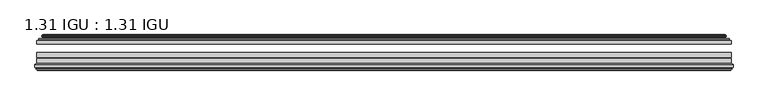
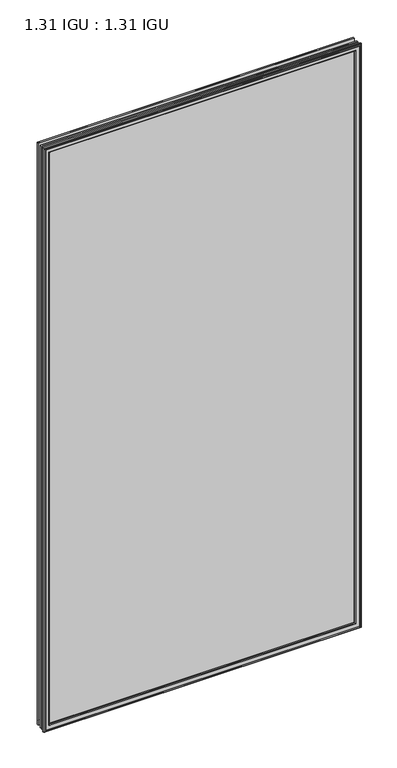
"""IFC4 building model written with IfcOpenShell, lengths in millimetres: plate geometry, 1.31 IGU : 1.31 IGU."""

from ifc_helpers import new_model, si_unit, frame, origin, place, context, project, spatial, polyline, ellipse_curve, outline, extrude, source, transform, mapped, element, save
from ifc_brep_helpers import plane_surface, cylinder_surface, revolved_surface, advanced_brep


def plate_1_31_igu_1_31_igu_3e8fca34(model_context):
    return source(origin(), model_context, "Body", "SolidModel", [
        extrude(outline(polyline([(515.9319169, -44.8960875), (515.9319169, -50.4332875), (-515.9368519, -50.4332875), (-515.9368519, -44.8960875), (515.9319169, -44.8960875)])), frame((0.0, 0.0, -14.2875), z_axis=(0.0, 0.0, 1.0), x_axis=(1.0, 0.0, 0.0)), (0.0, 0.0, 1.0), 2009.67848),
        extrude(outline(polyline([(-515.9368519, -78.7796875), (-515.9368519, -71.7692875), (515.9319169, -71.7692875), (515.9319169, -78.7796875), (-515.9368519, -78.7796875)])), frame((0.0, 0.0, -14.2875), z_axis=(0.0, 0.0, 1.0), x_axis=(1.0, 0.0, 0.0)), (0.0, 0.0, 1.0), 2009.67848),
        extrude(outline(polyline([(-515.9368519, -70.2452875), (-515.9368519, -63.1332875), (515.9319169, -63.1332875), (515.9319169, -70.2452875), (-515.9368519, -70.2452875)])), frame((0.0, 0.0, -14.2875), z_axis=(0.0, 0.0, 1.0), x_axis=(1.0, 0.0, 0.0)), (0.0, 0.0, 1.0), 2009.67848),
        advanced_brep(
        [(-506.5915274, -37.7373382, 1986.0456555), (-501.6498945, -36.3108875, 1981.1040226), (-501.6498945, -36.3108875, -0.0005426), (-506.5915274, -37.7373382, -4.9421755), (-506.4264221, -36.9605789, 1985.8805502), (-506.4264221, -36.9605789, -4.7770702), (-507.0219078, -36.4771203, 1986.4760359), (-507.0219078, -36.4771203, -5.3725559), (-508.2865436, -37.766076, 1987.7406717), (-508.2865436, -37.766076, -6.6371917), (-508.2757268, -38.8797852, 1987.7298549), (-508.2757268, -38.8797852, -6.6263749), (-506.9942416, -40.1361433, 1986.4483697), (-506.9942416, -40.1361433, -5.3448897), (-506.3892348, -39.649943, 1985.8433629), (-506.3892348, -39.649943, -4.7398829), (-506.9432491, -39.0959287, 1986.3973772), (-506.9432491, -39.0959287, -5.2938972), (-504.6574407, -38.7029881, 1984.1115687), (-504.6574407, -38.7029881, -3.0080887), (-503.1983676, -40.2107282, 1982.6524957), (-503.1983676, -40.2107282, -1.5490157), (-503.4949495, -41.651269, 1982.9490776), (-503.4949495, -41.651269, -1.8455976), (-504.266174, -42.2798875, 1983.7203021), (-504.266174, -42.2798875, -2.6168221), (-512.5701503, -43.4871542, 1992.0242784), (-512.2949489, -42.2798875, 1991.7490769), (-512.2949489, -42.2798875, -10.6455969), (-512.5701503, -43.4871542, -10.9207984), (-509.1125817, -44.8960875, 1988.5667097), (-509.1125817, -44.8960875, -7.4632297), (-498.0149579, -44.023302, 1977.4690859), (-498.3702958, -44.8960875, 1977.8244239), (-498.3702958, -44.8960875, 3.2790561), (-498.0149579, -44.023302, 3.6343941), (-498.6861559, -43.3681812, 1978.140284), (-498.6861559, -43.3681812, 2.963196), (-500.3269465, -40.6686056, 1979.7810746), (-500.3269465, -40.6686056, 1.3224054), (501.6498945, -36.3108875, -0.0005426), (506.5915274, -37.7373382, -4.9421755), (506.4264221, -36.9605789, -4.7770702), (507.0219078, -36.4771203, -5.3725559), (508.2865436, -37.766076, -6.6371917), (508.2757268, -38.8797852, -6.6263749), (506.9942416, -40.1361433, -5.3448897), (506.3892348, -39.649943, -4.7398829), (506.9432491, -39.0959287, -5.2938972), (504.6574407, -38.7029881, -3.0080887), (503.1983676, -40.2107282, -1.5490157), (503.4949495, -41.651269, -1.8455976), (504.266174, -42.2798875, -2.6168221), (512.2949489, -42.2798875, -10.6455969), (512.5701503, -43.4871542, -10.9207984), (509.1125817, -44.8960875, -7.4632297), (498.3702958, -44.8960875, 3.2790561), (498.0149579, -44.023302, 3.6343941), (498.6861559, -43.3681812, 2.963196), (500.3269465, -40.6686056, 1.3224054), (501.6498945, -36.3108875, 1981.1040226), (506.5915274, -37.7373382, 1986.0456555), (506.4264221, -36.9605789, 1985.8805502), (507.0219078, -36.4771203, 1986.4760359), (508.2865436, -37.766076, 1987.7406717), (508.2757268, -38.8797852, 1987.7298549), (506.9942416, -40.1361433, 1986.4483697), (506.3892348, -39.649943, 1985.8433629), (506.9432491, -39.0959287, 1986.3973772), (504.6574407, -38.7029881, 1984.1115687), (503.1983676, -40.2107282, 1982.6524957), (503.4949495, -41.651269, 1982.9490776), (504.266174, -42.2798875, 1983.7203021), (512.2949489, -42.2798875, 1991.7490769), (512.5701503, -43.4871542, 1992.0242784), (509.1125817, -44.8960875, 1988.5667097), (498.3702958, -44.8960875, 1977.8244239), (498.0149579, -44.023302, 1977.4690859), (498.6861559, -43.3681812, 1978.140284), (500.3269465, -40.6686056, 1979.7810746)],
        [
            (0, 1),
            (1, 2),
            (2, 3),
            (3, 0),
            (4, 0),
            (3, 5),
            (5, 4),
            (6, 4, ellipse_curve(frame((-506.7469391, -36.746901, 1986.2010671), z_axis=(-0.7071067811865475, 0.0, -0.7071067811865475), x_axis=(-0.7071067811865474, 0.0, 0.7071067811865476)), 0.5447741, 0.3852135)),
            (5, 7, ellipse_curve(frame((-506.7469391, -36.746901, -5.0975871), z_axis=(-0.7071067811865475, 0.0, 0.7071067811865475), x_axis=(0.7071067811865474, 0.0, 0.7071067811865476)), 0.5447741, 0.3852135)),
            (7, 6),
            (8, 6),
            (7, 9),
            (9, 8),
            (10, 8, ellipse_curve(frame((-507.7244906, -38.3175243, 1987.1786187), z_axis=(-0.7071067811865475, 0.0, -0.7071067811865475), x_axis=(-0.7071067811865474, 0.0, 0.7071067811865476)), 1.1135518, 0.7874)),
            (9, 11, ellipse_curve(frame((-507.7244906, -38.3175243, -6.0751387), z_axis=(-0.7071067811865475, 0.0, 0.7071067811865475), x_axis=(0.7071067811865474, 0.0, 0.7071067811865476)), 1.1135518, 0.7874)),
            (11, 10),
            (12, 10),
            (11, 13),
            (13, 12),
            (14, 12, ellipse_curve(frame((-506.7206442, -39.8570738, 1986.1747722), z_axis=(-0.7071067811865475, 0.0, -0.7071067811865475), x_axis=(-0.7071067811865474, 0.0, 0.7071067811865476)), 0.552694, 0.3908137)),
            (13, 15, ellipse_curve(frame((-506.7206442, -39.8570738, -5.0712922), z_axis=(-0.7071067811865475, 0.0, 0.7071067811865475), x_axis=(0.7071067811865474, 0.0, 0.7071067811865476)), 0.552694, 0.3908137)),
            (15, 14),
            (16, 14),
            (15, 17),
            (17, 16),
            (18, 16),
            (17, 19),
            (19, 18),
            (20, 18, ellipse_curve(frame((-504.442278, -39.954629, 1983.8964061), z_axis=(0.7071067811865475, 0.0, 0.7071067811865475), x_axis=(0.7071067811865474, 0.0, -0.7071067811865476)), 1.7960512, 1.27)),
            (19, 21, ellipse_curve(frame((-504.442278, -39.954629, -2.7929261), z_axis=(0.7071067811865475, 0.0, -0.7071067811865475), x_axis=(-0.7071067811865474, 0.0, -0.7071067811865476)), 1.7960512, 1.27)),
            (21, 20),
            (22, 20),
            (21, 23),
            (23, 22),
            (24, 22, ellipse_curve(frame((-504.266174, -41.4924875, 1983.7203021), z_axis=(0.7071067811865475, 0.0, 0.7071067811865475), x_axis=(0.7071067811865474, 0.0, -0.7071067811865476)), 1.1135518, 0.7874)),
            (23, 25, ellipse_curve(frame((-504.266174, -41.4924875, -2.6168221), z_axis=(0.7071067811865475, 0.0, -0.7071067811865475), x_axis=(-0.7071067811865474, 0.0, -0.7071067811865476)), 1.1135518, 0.7874)),
            (25, 24),
            (26, 27, ellipse_curve(frame((-512.2949489, -42.9148875, 1991.7490769), z_axis=(-0.7071067811865475, 0.0, -0.7071067811865475), x_axis=(-0.7071067811865474, 0.0, 0.7071067811865476)), 0.8980256, 0.635)),
            (27, 28),
            (28, 29, ellipse_curve(frame((-512.2949489, -42.9148875, -10.6455969), z_axis=(-0.7071067811865475, 0.0, 0.7071067811865475), x_axis=(0.7071067811865474, 0.0, 0.7071067811865476)), 0.8980256, 0.635)),
            (29, 26),
            (30, 26),
            (29, 31),
            (31, 30),
            (32, 33, ellipse_curve(frame((-498.3702958, -44.3873602, 1977.8244239), z_axis=(-0.7071067811865475, 0.0, -0.7071067811865475), x_axis=(-0.7071067811865474, 0.0, 0.7071067811865476)), 0.719449, 0.5087273)),
            (33, 34),
            (34, 35, ellipse_curve(frame((-498.3702958, -44.3873602, 3.2790561), z_axis=(-0.7071067811865475, 0.0, 0.7071067811865475), x_axis=(0.7071067811865474, 0.0, 0.7071067811865476)), 0.719449, 0.5087273)),
            (35, 32),
            (36, 32),
            (35, 37),
            (37, 36),
            (38, 36, ellipse_curve(frame((-494.2507817, -38.823959, 1973.7049098), z_axis=(0.7071067811865475, 0.0, 0.7071067811865475), x_axis=(0.7071067811865474, 0.0, -0.7071067811865476)), 8.9802561, 6.35)),
            (37, 39, ellipse_curve(frame((-494.2507817, -38.823959, 7.3985702), z_axis=(0.7071067811865475, 0.0, -0.7071067811865475), x_axis=(-0.7071067811865474, 0.0, -0.7071067811865476)), 8.9802561, 6.35)),
            (39, 38),
            (1, 38),
            (39, 2),
            (2, 40),
            (40, 41),
            (41, 3),
            (41, 42),
            (42, 5),
            (42, 43, ellipse_curve(frame((506.7469391, -36.746901, -5.0975871), z_axis=(-0.7071067811865475, 0.0, -0.7071067811865475), x_axis=(-0.7071067811865476, 0.0, 0.7071067811865474)), 0.5447741, 0.3852135)),
            (43, 7),
            (43, 44),
            (44, 9),
            (44, 45, ellipse_curve(frame((507.7244906, -38.3175243, -6.0751387), z_axis=(-0.7071067811865475, 0.0, -0.7071067811865475), x_axis=(-0.7071067811865476, 0.0, 0.7071067811865474)), 1.1135518, 0.7874)),
            (45, 11),
            (45, 46),
            (46, 13),
            (46, 47, ellipse_curve(frame((506.7206442, -39.8570738, -5.0712922), z_axis=(-0.7071067811865475, 0.0, -0.7071067811865475), x_axis=(-0.7071067811865476, 0.0, 0.7071067811865474)), 0.552694, 0.3908137)),
            (47, 15),
            (47, 48),
            (48, 17),
            (48, 49),
            (49, 19),
            (49, 50, ellipse_curve(frame((504.442278, -39.954629, -2.7929261), z_axis=(0.7071067811865475, 0.0, 0.7071067811865475), x_axis=(0.7071067811865476, 0.0, -0.7071067811865474)), 1.7960512, 1.27)),
            (50, 21),
            (50, 51),
            (51, 23),
            (51, 52, ellipse_curve(frame((504.266174, -41.4924875, -2.6168221), z_axis=(0.7071067811865475, 0.0, 0.7071067811865475), x_axis=(0.7071067811865476, 0.0, -0.7071067811865474)), 1.1135518, 0.7874)),
            (52, 25),
            (28, 53),
            (53, 54, ellipse_curve(frame((512.2949489, -42.9148875, -10.6455969), z_axis=(-0.7071067811865475, 0.0, -0.7071067811865475), x_axis=(-0.7071067811865476, 0.0, 0.7071067811865474)), 0.8980256, 0.635)),
            (54, 29),
            (54, 55),
            (55, 31),
            (34, 56),
            (56, 57, ellipse_curve(frame((498.3702958, -44.3873602, 3.2790561), z_axis=(-0.7071067811865475, 0.0, -0.7071067811865475), x_axis=(-0.7071067811865476, 0.0, 0.7071067811865474)), 0.719449, 0.5087273)),
            (57, 35),
            (57, 58),
            (58, 37),
            (58, 59, ellipse_curve(frame((494.2507817, -38.823959, 7.3985702), z_axis=(0.7071067811865475, 0.0, 0.7071067811865475), x_axis=(0.7071067811865476, 0.0, -0.7071067811865474)), 8.9802561, 6.35)),
            (59, 39),
            (59, 40),
            (40, 60),
            (60, 61),
            (61, 41),
            (61, 62),
            (62, 42),
            (62, 63, ellipse_curve(frame((506.7469391, -36.746901, 1986.2010671), z_axis=(0.7071067811865475, 0.0, -0.7071067811865475), x_axis=(-0.7071067811865474, 0.0, -0.7071067811865476)), 0.5447741, 0.3852135)),
            (63, 43),
            (63, 64),
            (64, 44),
            (64, 65, ellipse_curve(frame((507.7244906, -38.3175243, 1987.1786187), z_axis=(0.7071067811865475, 0.0, -0.7071067811865475), x_axis=(-0.7071067811865474, 0.0, -0.7071067811865476)), 1.1135518, 0.7874)),
            (65, 45),
            (65, 66),
            (66, 46),
            (66, 67, ellipse_curve(frame((506.7206442, -39.8570738, 1986.1747722), z_axis=(0.7071067811865475, 0.0, -0.7071067811865475), x_axis=(-0.7071067811865474, 0.0, -0.7071067811865476)), 0.552694, 0.3908137)),
            (67, 47),
            (67, 68),
            (68, 48),
            (68, 69),
            (69, 49),
            (69, 70, ellipse_curve(frame((504.442278, -39.954629, 1983.8964061), z_axis=(-0.7071067811865475, 0.0, 0.7071067811865475), x_axis=(0.7071067811865474, 0.0, 0.7071067811865476)), 1.7960512, 1.27)),
            (70, 50),
            (70, 71),
            (71, 51),
            (71, 72, ellipse_curve(frame((504.266174, -41.4924875, 1983.7203021), z_axis=(-0.7071067811865475, 0.0, 0.7071067811865475), x_axis=(0.7071067811865474, 0.0, 0.7071067811865476)), 1.1135518, 0.7874)),
            (72, 52),
            (53, 73),
            (73, 74, ellipse_curve(frame((512.2949489, -42.9148875, 1991.7490769), z_axis=(0.7071067811865475, 0.0, -0.7071067811865475), x_axis=(-0.7071067811865474, 0.0, -0.7071067811865476)), 0.8980256, 0.635)),
            (74, 54),
            (74, 75),
            (75, 55),
            (56, 76),
            (76, 77, ellipse_curve(frame((498.3702958, -44.3873602, 1977.8244239), z_axis=(0.7071067811865475, 0.0, -0.7071067811865475), x_axis=(-0.7071067811865474, 0.0, -0.7071067811865476)), 0.719449, 0.5087273)),
            (77, 57),
            (77, 78),
            (78, 58),
            (78, 79, ellipse_curve(frame((494.2507817, -38.823959, 1973.7049098), z_axis=(-0.7071067811865475, 0.0, 0.7071067811865475), x_axis=(0.7071067811865474, 0.0, 0.7071067811865476)), 8.9802561, 6.35)),
            (79, 59),
            (79, 60),
            (60, 1),
            (0, 61),
            (4, 62),
            (6, 63),
            (8, 64),
            (10, 65),
            (12, 66),
            (14, 67),
            (16, 68),
            (18, 69),
            (20, 70),
            (22, 71),
            (24, 72),
            (27, 73),
            (26, 74),
            (30, 75),
            (33, 76),
            (32, 77),
            (36, 78),
            (38, 79),
        ],
        [
            plane_surface(frame((-501.6498945, -36.3108875, 1981.1040226), z_axis=(-0.2773364928492854, 0.9607728502273877, 0.0), x_axis=(0.0, 0.0, -1.0))),
            plane_surface(frame((-506.5915274, -37.7373382, 1986.0456555), z_axis=(0.9781476007338358, -0.2079116908176177, 0.0), x_axis=(0.0, 0.0, -1.0))),
            cylinder_surface(frame((-506.7469391, -36.746901, 2012.85348), z_axis=(0.0, 0.0, 1.0), x_axis=(-1.0, 0.0, 0.0)), 0.3852135),
            plane_surface(frame((-507.0219078, -36.4771203, 1986.4760359), z_axis=(-0.7138087599382162, 0.7003406701280928, 0.0), x_axis=(0.0, 0.0, -1.0))),
            cylinder_surface(frame((-507.7244906, -38.3175243, 2012.85348), z_axis=(0.0, 0.0, 1.0), x_axis=(-1.0, 0.0, 0.0)), 0.7874),
            plane_surface(frame((-508.2757268, -38.8797852, 1987.7298549), z_axis=(-0.7000714109283732, -0.7140728391423082, 0.0), x_axis=(0.0, 0.0, -1.0))),
            cylinder_surface(frame((-506.7206442, -39.8570738, 2012.85348), z_axis=(0.0, 0.0, 1.0), x_axis=(-1.0, 0.0, 0.0)), 0.3908137),
            plane_surface(frame((-506.3892348, -39.649943, 1985.8433629), z_axis=(0.7071067811861126, 0.7071067811869826, 0.0), x_axis=(0.0, 0.0, -1.0))),
            plane_surface(frame((-506.9432491, -39.0959287, 1986.3973772), z_axis=(0.16941940671011482, -0.9855440449974789, 0.0), x_axis=(0.0, 0.0, -1.0))),
            revolved_surface(polyline([(-505.71227799999997, -39.954629, -4.062926082878221), (-505.71227799999997, -39.954629, 1985.1664060828782)]), (-504.442278, -39.954629, 2012.85348), (0.0, 0.0, -1.0)),
            plane_surface(frame((-503.1983676, -40.2107282, 1982.6524957), z_axis=(-0.9794570432566897, 0.201652920670302, 0.0), x_axis=(0.0, 0.0, -1.0))),
            revolved_surface(polyline([(-505.05357399999997, -41.4924875, -3.4042221289826102), (-505.05357399999997, -41.4924875, 1984.5077021289826)]), (-504.266174, -41.4924875, 2012.85348), (0.0, 0.0, -1.0)),
            cylinder_surface(frame((-512.2949489, -42.9148875, 2012.85348), z_axis=(0.0, 0.0, 1.0), x_axis=(-1.0, 0.0, 0.0)), 0.635),
            plane_surface(frame((-512.5701503, -43.4871542, 1992.0242784), z_axis=(-0.37736447542757934, -0.9260648209954139, 0.0), x_axis=(0.0, 0.0, -1.0))),
            cylinder_surface(frame((-498.3702958, -44.3873602, 2012.85348), z_axis=(0.0, 0.0, 1.0), x_axis=(-1.0, 0.0, 0.0)), 0.5087273),
            plane_surface(frame((-498.0149579, -44.023302, 1977.4690859), z_axis=(0.698484125849927, 0.7156255486884628, 0.0), x_axis=(0.0, 0.0, -1.0))),
            revolved_surface(polyline([(-500.6007817, -38.823959, 1.0485702148980636), (-500.6007817, -38.823959, 1980.054909785102)]), (-494.2507817, -38.823959, 2012.85348), (0.0, 0.0, -1.0)),
            plane_surface(frame((-500.3269465, -40.6686056, 1979.7810746), z_axis=(0.9568763473517009, 0.2904955350411895, 0.0), x_axis=(0.0, 0.0, -1.0))),
            plane_surface(frame((-501.6498945, -36.3108875, -0.0005426), z_axis=(0.0, 0.9607728502273868, -0.2773364928492885), x_axis=(1.0, 0.0, 0.0))),
            plane_surface(frame((-506.5915274, -37.7373382, -4.9421755), z_axis=(0.0, -0.20791169081761454, 0.9781476007338364), x_axis=(1.0, 0.0, 0.0))),
            cylinder_surface(frame((-533.3993519, -36.746901, -5.0975871), z_axis=(-1.0, 0.0, 0.0), x_axis=(0.0, 0.0, -1.0)), 0.3852135),
            plane_surface(frame((-507.0219078, -36.4771203, -5.3725559), z_axis=(0.0, 0.7003406701280904, -0.7138087599382185), x_axis=(1.0, 0.0, 0.0))),
            cylinder_surface(frame((-533.3993519, -38.3175243, -6.0751387), z_axis=(-1.0, 0.0, 0.0), x_axis=(0.0, 0.0, -1.0)), 0.7874),
            plane_surface(frame((-508.2757268, -38.8797852, -6.6263749), z_axis=(0.0, -0.7140728391423105, -0.7000714109283709), x_axis=(1.0, 0.0, 0.0))),
            cylinder_surface(frame((-533.3993519, -39.8570738, -5.0712922), z_axis=(-1.0, 0.0, 0.0), x_axis=(0.0, 0.0, -1.0)), 0.3908137),
            plane_surface(frame((-506.3892348, -39.649943, -4.7398829), z_axis=(0.0, 0.7071067811869849, 0.7071067811861103), x_axis=(1.0, 0.0, 0.0))),
            plane_surface(frame((-506.9432491, -39.0959287, -5.2938972), z_axis=(0.0, -0.9855440449974784, 0.16941940671011801), x_axis=(1.0, 0.0, 0.0))),
            revolved_surface(polyline([(505.7122779828783, -39.954629, -4.0629261), (-505.7122779828782, -39.954629, -4.0629261)]), (-533.3993519, -39.954629, -2.7929261), (1.0, 0.0, 0.0)),
            plane_surface(frame((-503.1983676, -40.2107282, -1.5490157), z_axis=(0.0, 0.20165292067029883, -0.9794570432566904), x_axis=(1.0, 0.0, 0.0))),
            revolved_surface(polyline([(505.05357402898244, -41.4924875, -3.4042220999999997), (-505.05357402898244, -41.4924875, -3.4042220999999997)]), (-533.3993519, -41.4924875, -2.6168221), (1.0, 0.0, 0.0)),
            cylinder_surface(frame((-533.3993519, -42.9148875, -10.6455969), z_axis=(-1.0, 0.0, 0.0), x_axis=(0.0, 0.0, -1.0)), 0.635),
            plane_surface(frame((-512.5701503, -43.4871542, -10.9207984), z_axis=(0.0, -0.9260648209954151, -0.37736447542757634), x_axis=(1.0, 0.0, 0.0))),
            cylinder_surface(frame((-533.3993519, -44.3873602, 3.2790561), z_axis=(-1.0, 0.0, 0.0), x_axis=(0.0, 0.0, -1.0)), 0.5087273),
            plane_surface(frame((-498.0149579, -44.023302, 3.6343941), z_axis=(0.0, 0.7156255486884651, 0.6984841258499247), x_axis=(1.0, 0.0, 0.0))),
            revolved_surface(polyline([(500.600781685102, -38.823959, 1.0485702000000003), (-500.6007816851019, -38.823959, 1.0485702000000003)]), (-533.3993519, -38.823959, 7.3985702), (1.0, 0.0, 0.0)),
            plane_surface(frame((-500.3269465, -40.6686056, 1.3224054), z_axis=(0.0, 0.29049553504119263, 0.9568763473517), x_axis=(1.0, 0.0, 0.0))),
            plane_surface(frame((501.6498945, -36.3108875, -0.0005426), z_axis=(0.2773364928492916, 0.9607728502273859, 0.0), x_axis=(0.0, 0.0, 1.0))),
            plane_surface(frame((506.5915274, -37.7373382, -4.9421755), z_axis=(-0.9781476007338371, -0.20791169081761138, 0.0), x_axis=(0.0, 0.0, 1.0))),
            cylinder_surface(frame((506.7469391, -36.746901, -31.75), z_axis=(0.0, 0.0, -1.0), x_axis=(1.0, 0.0, 0.0)), 0.3852135),
            plane_surface(frame((507.0219078, -36.4771203, -5.3725559), z_axis=(0.7138087599382208, 0.7003406701280882, 0.0), x_axis=(0.0, 0.0, 1.0))),
            cylinder_surface(frame((507.7244906, -38.3175243, -31.75), z_axis=(0.0, 0.0, -1.0), x_axis=(1.0, 0.0, 0.0)), 0.7874),
            plane_surface(frame((508.2757268, -38.8797852, -6.6263749), z_axis=(0.7000714109283687, -0.7140728391423128, 0.0), x_axis=(0.0, 0.0, 1.0))),
            cylinder_surface(frame((506.7206442, -39.8570738, -31.75), z_axis=(0.0, 0.0, -1.0), x_axis=(1.0, 0.0, 0.0)), 0.3908137),
            plane_surface(frame((506.3892348, -39.649943, -4.7398829), z_axis=(-0.7071067811861079, 0.7071067811869872, 0.0), x_axis=(0.0, 0.0, 1.0))),
            plane_surface(frame((506.9432491, -39.0959287, -5.2938972), z_axis=(-0.1694194067101212, -0.9855440449974778, 0.0), x_axis=(0.0, 0.0, 1.0))),
            revolved_surface(polyline([(505.71227799999997, -39.954629, 1985.1664060828782), (505.71227799999997, -39.954629, -4.062926082878235)]), (504.442278, -39.954629, -31.75), (0.0, 0.0, 1.0)),
            plane_surface(frame((503.1983676, -40.2107282, -1.5490157), z_axis=(0.979457043256691, 0.20165292067029567, 0.0), x_axis=(0.0, 0.0, 1.0))),
            revolved_surface(polyline([(505.05357399999997, -41.4924875, 1984.5077021289826), (505.05357399999997, -41.4924875, -3.404222128982486)]), (504.266174, -41.4924875, -31.75), (0.0, 0.0, 1.0)),
            cylinder_surface(frame((512.2949489, -42.9148875, -31.75), z_axis=(0.0, 0.0, -1.0), x_axis=(1.0, 0.0, 0.0)), 0.635),
            plane_surface(frame((512.5701503, -43.4871542, -10.9207984), z_axis=(0.37736447542757334, -0.9260648209954163, 0.0), x_axis=(0.0, 0.0, 1.0))),
            cylinder_surface(frame((498.3702958, -44.3873602, -31.75), z_axis=(0.0, 0.0, -1.0), x_axis=(1.0, 0.0, 0.0)), 0.5087273),
            plane_surface(frame((498.0149579, -44.023302, 3.6343941), z_axis=(-0.6984841258499224, 0.7156255486884673, 0.0), x_axis=(0.0, 0.0, 1.0))),
            revolved_surface(polyline([(500.6007817, -38.823959, 1980.054909785102), (500.6007817, -38.823959, 1.0485702148981417)]), (494.2507817, -38.823959, -31.75), (0.0, 0.0, 1.0)),
            plane_surface(frame((500.3269465, -40.6686056, 1.3224054), z_axis=(-0.9568763473516991, 0.29049553504119574, 0.0), x_axis=(0.0, 0.0, 1.0))),
            plane_surface(frame((501.6498945, -36.3108875, 1981.1040226), z_axis=(0.0, 0.9607728502273868, 0.2773364928492885), x_axis=(-1.0, 0.0, 0.0))),
            plane_surface(frame((506.5915274, -37.7373382, 1986.0456555), z_axis=(0.0, -0.20791169081761454, -0.9781476007338364), x_axis=(-1.0, 0.0, 0.0))),
            cylinder_surface(frame((533.3993519, -36.746901, 1986.2010671), z_axis=(1.0, 0.0, 0.0), x_axis=(0.0, 0.0, 1.0)), 0.3852135),
            plane_surface(frame((507.0219078, -36.4771203, 1986.4760359), z_axis=(0.0, 0.7003406701280904, 0.7138087599382185), x_axis=(-1.0, 0.0, 0.0))),
            cylinder_surface(frame((533.3993519, -38.3175243, 1987.1786187), z_axis=(1.0, 0.0, 0.0), x_axis=(0.0, 0.0, 1.0)), 0.7874),
            plane_surface(frame((508.2757268, -38.8797852, 1987.7298549), z_axis=(0.0, -0.7140728391423106, 0.700071410928371), x_axis=(-1.0, 0.0, 0.0))),
            cylinder_surface(frame((533.3993519, -39.8570738, 1986.1747722), z_axis=(1.0, 0.0, 0.0), x_axis=(0.0, 0.0, 1.0)), 0.3908137),
            plane_surface(frame((506.3892348, -39.649943, 1985.8433629), z_axis=(0.0, 0.7071067811869849, -0.7071067811861103), x_axis=(-1.0, 0.0, 0.0))),
            plane_surface(frame((506.9432491, -39.0959287, 1986.3973772), z_axis=(0.0, -0.9855440449974784, -0.16941940671011801), x_axis=(-1.0, 0.0, 0.0))),
            revolved_surface(polyline([(-505.7122779828783, -39.954629, 1985.1664061), (505.7122779828782, -39.954629, 1985.1664061)]), (533.3993519, -39.954629, 1983.8964061), (-1.0, 0.0, 0.0)),
            plane_surface(frame((503.1983676, -40.2107282, 1982.6524957), z_axis=(0.0, 0.20165292067029883, 0.9794570432566904), x_axis=(-1.0, 0.0, 0.0))),
            revolved_surface(polyline([(-505.05357402898244, -41.4924875, 1984.5077021), (505.05357402898244, -41.4924875, 1984.5077021)]), (533.3993519, -41.4924875, 1983.7203021), (-1.0, 0.0, 0.0)),
            plane_surface(frame((504.266174, -42.2798875, 1983.7203021), z_axis=(0.0, 1.0, 0.0), x_axis=(-1.0, 0.0, 0.0))),
            cylinder_surface(frame((533.3993519, -42.9148875, 1991.7490769), z_axis=(1.0, 0.0, 0.0), x_axis=(0.0, 0.0, 1.0)), 0.635),
            plane_surface(frame((512.5701503, -43.4871542, 1992.0242784), z_axis=(0.0, -0.9260648209954151, 0.37736447542757634), x_axis=(-1.0, 0.0, 0.0))),
            plane_surface(frame((509.1125817, -44.8960875, 1988.5667097), z_axis=(0.0, -1.0, 0.0), x_axis=(-1.0, 0.0, 0.0))),
            cylinder_surface(frame((533.3993519, -44.3873602, 1977.8244239), z_axis=(1.0, 0.0, 0.0), x_axis=(0.0, 0.0, 1.0)), 0.5087273),
            plane_surface(frame((498.0149579, -44.023302, 1977.4690859), z_axis=(0.0, 0.7156255486884651, -0.6984841258499247), x_axis=(-1.0, 0.0, 0.0))),
            revolved_surface(polyline([(-500.600781685102, -38.823959, 1980.0549098), (500.6007816851019, -38.823959, 1980.0549098)]), (533.3993519, -38.823959, 1973.7049098), (-1.0, 0.0, 0.0)),
            plane_surface(frame((500.3269465, -40.6686056, 1979.7810746), z_axis=(0.0, 0.29049553504119263, -0.9568763473517), x_axis=(-1.0, 0.0, 0.0))),
        ],
        [
            (0, [[1, 2, 3, 4]]),
            (1, [[5, -4, 6, 7]]),
            (2, [[8, -7, 9, 10]]),
            (3, [[11, -10, 12, 13]]),
            (4, [[14, -13, 15, 16]]),
            (5, [[17, -16, 18, 19]]),
            (6, [[20, -19, 21, 22]]),
            (7, [[23, -22, 24, 25]]),
            (8, [[26, -25, 27, 28]]),
            (9, [[29, -28, 30, 31]]),
            (10, [[32, -31, 33, 34]]),
            (11, [[35, -34, 36, 37]]),
            (12, [[38, 39, 40, 41]]),
            (13, [[42, -41, 43, 44]]),
            (14, [[45, 46, 47, 48]]),
            (15, [[49, -48, 50, 51]]),
            (16, [[52, -51, 53, 54]]),
            (17, [[55, -54, 56, -2]]),
            (18, [[-3, 57, 58, 59]]),
            (19, [[-6, -59, 60, 61]]),
            (20, [[-9, -61, 62, 63]]),
            (21, [[-12, -63, 64, 65]]),
            (22, [[-15, -65, 66, 67]]),
            (23, [[-18, -67, 68, 69]]),
            (24, [[-21, -69, 70, 71]]),
            (25, [[-24, -71, 72, 73]]),
            (26, [[-27, -73, 74, 75]]),
            (27, [[-30, -75, 76, 77]]),
            (28, [[-33, -77, 78, 79]]),
            (29, [[-36, -79, 80, 81]]),
            (30, [[-40, 82, 83, 84]]),
            (31, [[-43, -84, 85, 86]]),
            (32, [[-47, 87, 88, 89]]),
            (33, [[-50, -89, 90, 91]]),
            (34, [[-53, -91, 92, 93]]),
            (35, [[-56, -93, 94, -57]]),
            (36, [[-58, 95, 96, 97]]),
            (37, [[-60, -97, 98, 99]]),
            (38, [[-62, -99, 100, 101]]),
            (39, [[-64, -101, 102, 103]]),
            (40, [[-66, -103, 104, 105]]),
            (41, [[-68, -105, 106, 107]]),
            (42, [[-70, -107, 108, 109]]),
            (43, [[-72, -109, 110, 111]]),
            (44, [[-74, -111, 112, 113]]),
            (45, [[-76, -113, 114, 115]]),
            (46, [[-78, -115, 116, 117]]),
            (47, [[-80, -117, 118, 119]]),
            (48, [[-83, 120, 121, 122]]),
            (49, [[-85, -122, 123, 124]]),
            (50, [[-88, 125, 126, 127]]),
            (51, [[-90, -127, 128, 129]]),
            (52, [[-92, -129, 130, 131]]),
            (53, [[-94, -131, 132, -95]]),
            (54, [[-96, 133, -1, 134]]),
            (55, [[-98, -134, -5, 135]]),
            (56, [[-100, -135, -8, 136]]),
            (57, [[-102, -136, -11, 137]]),
            (58, [[-104, -137, -14, 138]]),
            (59, [[-106, -138, -17, 139]]),
            (60, [[-108, -139, -20, 140]]),
            (61, [[-110, -140, -23, 141]]),
            (62, [[-112, -141, -26, 142]]),
            (63, [[-114, -142, -29, 143]]),
            (64, [[-116, -143, -32, 144]]),
            (65, [[-118, -144, -35, 145]]),
            (66, [[146, -120, -82, -39], [-81, -119, -145, -37]]),
            (67, [[-121, -146, -38, 147]]),
            (68, [[-123, -147, -42, 148]]),
            (69, [[-86, -124, -148, -44], [149, -125, -87, -46]]),
            (70, [[-126, -149, -45, 150]]),
            (71, [[-128, -150, -49, 151]]),
            (72, [[-130, -151, -52, 152]]),
            (73, [[-132, -152, -55, -133]]),
        ],
    ),
        advanced_brep(
        [(-498.9618013, -83.3389875, 1978.4159294), (-500.7368674, -85.1296875, 1980.1909955), (-500.7368674, -85.1296875, 0.9124845), (-498.9618013, -83.3389875, 2.6875506), (-497.9385921, -78.7796875, 1977.3927201), (-497.9385921, -78.7796875, 3.7107599), (-518.519301, -80.9740477, 1997.9734291), (-516.3249408, -78.7796875, 1995.7790689), (-516.3249408, -78.7796875, -14.6755889), (-518.519301, -80.9740477, -16.8699491), (-518.519301, -85.1296875, 1997.9734291), (-518.519301, -85.1296875, -16.8699491), (-515.9942409, -86.3747112, 1995.4483689), (-516.7454678, -85.1296875, 1996.1995959), (-516.7454678, -85.1296875, -15.0961159), (-515.9942409, -86.3747112, -14.3448889), (-515.6847118, -87.6502863, 1995.1388398), (-515.6847118, -87.6502863, -14.0353598), (-516.7028251, -87.2076396, 1996.1569532), (-516.7028251, -87.2076396, -15.0534732), (-515.0158358, -88.8840626, 1994.4699638), (-517.4975352, -87.2076396, 1996.9516632), (-517.4975352, -87.2076396, -15.8481832), (-515.0158358, -88.8840626, -13.3664838), (-512.8640104, -86.9401656, 1992.3181384), (-512.8640104, -86.9401656, -11.2146584), (-514.5713646, -87.5528811, 1994.0254926), (-513.6455834, -86.9401656, 1993.0997114), (-513.6455834, -86.9401656, -11.9962314), (-514.5713646, -87.5528811, -12.9220126), (-514.4880392, -86.2429356, 1993.9421673), (-514.4880392, -86.2429356, -12.8386873), (-513.8898012, -85.1296875, 1993.3439292), (-513.8898012, -85.1296875, -12.2404492), (500.7368674, -85.1296875, 0.9124845), (498.9618013, -83.3389875, 2.6875506), (497.9385921, -78.7796875, 3.7107599), (516.3249408, -78.7796875, -14.6755889), (518.519301, -80.9740477, -16.8699491), (518.519301, -85.1296875, -16.8699491), (516.7454678, -85.1296875, -15.0961159), (515.9942409, -86.3747112, -14.3448889), (515.6847118, -87.6502863, -14.0353598), (516.7028251, -87.2076396, -15.0534732), (517.4975352, -87.2076396, -15.8481832), (515.0158358, -88.8840626, -13.3664838), (512.8640104, -86.9401656, -11.2146584), (513.6455834, -86.9401656, -11.9962314), (514.5713646, -87.5528811, -12.9220126), (514.4880392, -86.2429356, -12.8386873), (513.8898012, -85.1296875, -12.2404492), (500.7368674, -85.1296875, 1980.1909955), (498.9618013, -83.3389875, 1978.4159294), (497.9385921, -78.7796875, 1977.3927201), (516.3249408, -78.7796875, 1995.7790689), (518.519301, -80.9740477, 1997.9734291), (518.519301, -85.1296875, 1997.9734291), (516.7454678, -85.1296875, 1996.1995959), (515.9942409, -86.3747112, 1995.4483689), (515.6847118, -87.6502863, 1995.1388398), (516.7028251, -87.2076396, 1996.1569532), (517.4975352, -87.2076396, 1996.9516632), (515.0158358, -88.8840626, 1994.4699638), (512.8640104, -86.9401656, 1992.3181384), (513.6455834, -86.9401656, 1993.0997114), (514.5713646, -87.5528811, 1994.0254926), (514.4880392, -86.2429356, 1993.9421673), (513.8898012, -85.1296875, 1993.3439292)],
        [
            (0, 1, ellipse_curve(frame((-500.9883024, -83.1053133, 1980.4424305), z_axis=(-0.7071067811865475, 0.0, -0.7071067811865475), x_axis=(-0.7071067811865474, 0.0, 0.7071067811865476)), 2.8848953, 2.039929)),
            (1, 2),
            (2, 3, ellipse_curve(frame((-500.9883024, -83.1053133, 0.6610495), z_axis=(-0.7071067811865475, 0.0, 0.7071067811865475), x_axis=(0.7071067811865474, 0.0, 0.7071067811865476)), 2.8848953, 2.039929)),
            (3, 0),
            (4, 0),
            (3, 5),
            (5, 4),
            (6, 7),
            (7, 8),
            (8, 9),
            (9, 6),
            (10, 6),
            (9, 11),
            (11, 10),
            (12, 13),
            (13, 14),
            (14, 15),
            (15, 12),
            (16, 12),
            (15, 17),
            (17, 16),
            (18, 16),
            (17, 19),
            (19, 18),
            (20, 21),
            (21, 22),
            (22, 23),
            (23, 20),
            (24, 20),
            (23, 25),
            (25, 24),
            (26, 27),
            (27, 28),
            (28, 29),
            (29, 26),
            (30, 26),
            (29, 31),
            (31, 30),
            (32, 30),
            (31, 33),
            (33, 32),
            (2, 34),
            (34, 35, ellipse_curve(frame((500.9883024, -83.1053133, 0.6610495), z_axis=(-0.7071067811865475, 0.0, -0.7071067811865475), x_axis=(-0.7071067811865476, 0.0, 0.7071067811865474)), 2.8848953, 2.039929)),
            (35, 3),
            (35, 36),
            (36, 5),
            (8, 37),
            (37, 38),
            (38, 9),
            (38, 39),
            (39, 11),
            (14, 40),
            (40, 41),
            (41, 15),
            (41, 42),
            (42, 17),
            (42, 43),
            (43, 19),
            (22, 44),
            (44, 45),
            (45, 23),
            (45, 46),
            (46, 25),
            (28, 47),
            (47, 48),
            (48, 29),
            (48, 49),
            (49, 31),
            (49, 50),
            (50, 33),
            (34, 51),
            (51, 52, ellipse_curve(frame((500.9883024, -83.1053133, 1980.4424305), z_axis=(0.7071067811865475, 0.0, -0.7071067811865475), x_axis=(-0.7071067811865474, 0.0, -0.7071067811865476)), 2.8848953, 2.039929)),
            (52, 35),
            (52, 53),
            (53, 36),
            (37, 54),
            (54, 55),
            (55, 38),
            (55, 56),
            (56, 39),
            (40, 57),
            (57, 58),
            (58, 41),
            (58, 59),
            (59, 42),
            (59, 60),
            (60, 43),
            (44, 61),
            (61, 62),
            (62, 45),
            (62, 63),
            (63, 46),
            (47, 64),
            (64, 65),
            (65, 48),
            (65, 66),
            (66, 49),
            (66, 67),
            (67, 50),
            (51, 1),
            (0, 52),
            (4, 53),
            (7, 54),
            (6, 55),
            (10, 56),
            (13, 57),
            (12, 58),
            (16, 59),
            (18, 60),
            (21, 61),
            (20, 62),
            (24, 63),
            (27, 64),
            (26, 65),
            (30, 66),
            (32, 67),
        ],
        [
            cylinder_surface(frame((-500.9883024, -83.1053133, 2012.85348), z_axis=(0.0, 0.0, 1.0), x_axis=(-1.0, 0.0, 0.0)), 2.039929),
            plane_surface(frame((-498.9618013, -83.3389875, 1978.4159294), z_axis=(0.9757302952562701, -0.2189757770145185, 0.0), x_axis=(0.0, 0.0, -1.0))),
            plane_surface(frame((-516.3249408, -78.7796875, 1995.7790689), z_axis=(-0.7071067811871722, 0.7071067811859229, 0.0), x_axis=(0.0, 0.0, -1.0))),
            plane_surface(frame((-518.519301, -80.9740477, 1997.9734291), z_axis=(-1.0, 0.0, 0.0), x_axis=(0.0, 0.0, -1.0))),
            plane_surface(frame((-516.7454678, -85.1296875, 1996.1995959), z_axis=(-0.8562121193263807, -0.516624434883434, 0.0), x_axis=(0.0, 0.0, -1.0))),
            plane_surface(frame((-515.9942409, -86.3747112, 1995.4483689), z_axis=(-0.9717979666139347, -0.23581499546259124, 0.0), x_axis=(0.0, 0.0, -1.0))),
            plane_surface(frame((-515.6847118, -87.6502863, 1995.1388398), z_axis=(0.3987175451776161, 0.9170737806564615, 0.0), x_axis=(0.0, 0.0, -1.0))),
            plane_surface(frame((-517.4975352, -87.2076396, 1996.9516632), z_axis=(-0.5597655002239059, -0.8286510633306884, 0.0), x_axis=(0.0, 0.0, -1.0))),
            plane_surface(frame((-515.0158358, -88.8840626, 1994.4699638), z_axis=(0.670345652676111, -0.7420489916024674, 0.0), x_axis=(0.0, 0.0, -1.0))),
            plane_surface(frame((-513.6455834, -86.9401656, 1993.0997114), z_axis=(-0.5519083205498945, 0.8339047941508642, 0.0), x_axis=(0.0, 0.0, -1.0))),
            plane_surface(frame((-514.5713646, -87.5528811, 1994.0254926), z_axis=(0.9979830161114805, -0.06348148984572213, 0.0), x_axis=(0.0, 0.0, -1.0))),
            plane_surface(frame((-514.4880392, -86.2429356, 1993.9421673), z_axis=(0.8808682216207324, -0.47336157019632297, 0.0), x_axis=(0.0, 0.0, -1.0))),
            cylinder_surface(frame((-533.3993519, -83.1053133, 0.6610495), z_axis=(-1.0, 0.0, 0.0), x_axis=(0.0, 0.0, -1.0)), 2.039929),
            plane_surface(frame((-498.9618013, -83.3389875, 2.6875506), z_axis=(0.0, -0.21897577701451534, 0.9757302952562708), x_axis=(1.0, 0.0, 0.0))),
            plane_surface(frame((-516.3249408, -78.7796875, -14.6755889), z_axis=(0.0, 0.7071067811859205, -0.7071067811871745), x_axis=(1.0, 0.0, 0.0))),
            plane_surface(frame((-518.519301, -80.9740477, -16.8699491), z_axis=(0.0, 0.0, -1.0), x_axis=(1.0, 0.0, 0.0))),
            plane_surface(frame((-516.7454678, -85.1296875, -15.0961159), z_axis=(0.0, -0.5166244348834368, -0.8562121193263791), x_axis=(1.0, 0.0, 0.0))),
            plane_surface(frame((-515.9942409, -86.3747112, -14.3448889), z_axis=(0.0, -0.23581499546259438, -0.9717979666139339), x_axis=(1.0, 0.0, 0.0))),
            plane_surface(frame((-515.6847118, -87.6502863, -14.0353598), z_axis=(0.0, 0.9170737806564628, 0.39871754517761315), x_axis=(1.0, 0.0, 0.0))),
            plane_surface(frame((-517.4975352, -87.2076396, -15.8481832), z_axis=(0.0, -0.8286510633306902, -0.5597655002239033), x_axis=(1.0, 0.0, 0.0))),
            plane_surface(frame((-515.0158358, -88.8840626, -13.3664838), z_axis=(0.0, -0.7420489916024652, 0.6703456526761135), x_axis=(1.0, 0.0, 0.0))),
            plane_surface(frame((-513.6455834, -86.9401656, -11.9962314), z_axis=(0.0, 0.8339047941508624, -0.5519083205498971), x_axis=(1.0, 0.0, 0.0))),
            plane_surface(frame((-514.5713646, -87.5528811, -12.9220126), z_axis=(0.0, -0.0634814898457189, 0.9979830161114808), x_axis=(1.0, 0.0, 0.0))),
            plane_surface(frame((-514.4880392, -86.2429356, -12.8386873), z_axis=(0.0, -0.47336157019632014, 0.880868221620734), x_axis=(1.0, 0.0, 0.0))),
            cylinder_surface(frame((500.9883024, -83.1053133, -31.75), z_axis=(0.0, 0.0, -1.0), x_axis=(1.0, 0.0, 0.0)), 2.039929),
            plane_surface(frame((498.9618013, -83.3389875, 2.6875506), z_axis=(-0.9757302952562714, -0.21897577701451218, 0.0), x_axis=(0.0, 0.0, 1.0))),
            plane_surface(frame((516.3249408, -78.7796875, -14.6755889), z_axis=(0.7071067811871768, 0.7071067811859182, 0.0), x_axis=(0.0, 0.0, 1.0))),
            plane_surface(frame((518.519301, -80.9740477, -16.8699491), z_axis=(1.0, 0.0, 0.0), x_axis=(0.0, 0.0, 1.0))),
            plane_surface(frame((516.7454678, -85.1296875, -15.0961159), z_axis=(0.8562121193263774, -0.5166244348834396, 0.0), x_axis=(0.0, 0.0, 1.0))),
            plane_surface(frame((515.9942409, -86.3747112, -14.3448889), z_axis=(0.9717979666139331, -0.23581499546259752, 0.0), x_axis=(0.0, 0.0, 1.0))),
            plane_surface(frame((515.6847118, -87.6502863, -14.0353598), z_axis=(-0.3987175451776102, 0.9170737806564642, 0.0), x_axis=(0.0, 0.0, 1.0))),
            plane_surface(frame((517.4975352, -87.2076396, -15.8481832), z_axis=(0.5597655002239006, -0.8286510633306919, 0.0), x_axis=(0.0, 0.0, 1.0))),
            plane_surface(frame((515.0158358, -88.8840626, -13.3664838), z_axis=(-0.6703456526761159, -0.742048991602463, 0.0), x_axis=(0.0, 0.0, 1.0))),
            plane_surface(frame((513.6455834, -86.9401656, -11.9962314), z_axis=(0.5519083205498998, 0.8339047941508606, 0.0), x_axis=(0.0, 0.0, 1.0))),
            plane_surface(frame((514.5713646, -87.5528811, -12.9220126), z_axis=(-0.997983016111481, -0.06348148984571567, 0.0), x_axis=(0.0, 0.0, 1.0))),
            plane_surface(frame((514.4880392, -86.2429356, -12.8386873), z_axis=(-0.8808682216207355, -0.4733615701963173, 0.0), x_axis=(0.0, 0.0, 1.0))),
            cylinder_surface(frame((533.3993519, -83.1053133, 1980.4424305), z_axis=(1.0, 0.0, 0.0), x_axis=(0.0, 0.0, 1.0)), 2.039929),
            plane_surface(frame((498.9618013, -83.3389875, 1978.4159294), z_axis=(0.0, -0.21897577701451534, -0.9757302952562708), x_axis=(-1.0, 0.0, 0.0))),
            plane_surface(frame((497.9385921, -78.7796875, 1977.3927201), z_axis=(0.0, 1.0, 0.0), x_axis=(-1.0, 0.0, 0.0))),
            plane_surface(frame((516.3249408, -78.7796875, 1995.7790689), z_axis=(0.0, 0.7071067811859205, 0.7071067811871745), x_axis=(-1.0, 0.0, 0.0))),
            plane_surface(frame((518.519301, -80.9740477, 1997.9734291), z_axis=(0.0, 0.0, 1.0), x_axis=(-1.0, 0.0, 0.0))),
            plane_surface(frame((518.519301, -85.1296875, 1997.9734291), z_axis=(0.0, -1.0, 0.0), x_axis=(-1.0, 0.0, 0.0))),
            plane_surface(frame((516.7454678, -85.1296875, 1996.1995959), z_axis=(0.0, -0.5166244348834368, 0.8562121193263791), x_axis=(-1.0, 0.0, 0.0))),
            plane_surface(frame((515.9942409, -86.3747112, 1995.4483689), z_axis=(0.0, -0.23581499546259438, 0.9717979666139339), x_axis=(-1.0, 0.0, 0.0))),
            plane_surface(frame((515.6847118, -87.6502863, 1995.1388398), z_axis=(0.0, 0.9170737806564628, -0.39871754517761315), x_axis=(-1.0, 0.0, 0.0))),
            plane_surface(frame((516.7028251, -87.2076396, 1996.1569532), z_axis=(0.0, 1.0, 0.0), x_axis=(-1.0, 0.0, 0.0))),
            plane_surface(frame((517.4975352, -87.2076396, 1996.9516632), z_axis=(0.0, -0.8286510633306902, 0.5597655002239033), x_axis=(-1.0, 0.0, 0.0))),
            plane_surface(frame((515.0158358, -88.8840626, 1994.4699638), z_axis=(0.0, -0.7420489916024652, -0.6703456526761135), x_axis=(-1.0, 0.0, 0.0))),
            plane_surface(frame((512.8640104, -86.9401656, 1992.3181384), z_axis=(0.0, 1.0, 0.0), x_axis=(-1.0, 0.0, 0.0))),
            plane_surface(frame((513.6455834, -86.9401656, 1993.0997114), z_axis=(0.0, 0.8339047941508624, 0.5519083205498971), x_axis=(-1.0, 0.0, 0.0))),
            plane_surface(frame((514.5713646, -87.5528811, 1994.0254926), z_axis=(0.0, -0.0634814898457189, -0.9979830161114808), x_axis=(-1.0, 0.0, 0.0))),
            plane_surface(frame((514.4880392, -86.2429356, 1993.9421673), z_axis=(0.0, -0.47336157019632014, -0.880868221620734), x_axis=(-1.0, 0.0, 0.0))),
            plane_surface(frame((513.8898012, -85.1296875, 1993.3439292), z_axis=(0.0, -1.0, 0.0), x_axis=(-1.0, 0.0, 0.0))),
        ],
        [
            (0, [[1, 2, 3, 4]]),
            (1, [[5, -4, 6, 7]]),
            (2, [[8, 9, 10, 11]]),
            (3, [[12, -11, 13, 14]]),
            (4, [[15, 16, 17, 18]]),
            (5, [[19, -18, 20, 21]]),
            (6, [[22, -21, 23, 24]]),
            (7, [[25, 26, 27, 28]]),
            (8, [[29, -28, 30, 31]]),
            (9, [[32, 33, 34, 35]]),
            (10, [[36, -35, 37, 38]]),
            (11, [[39, -38, 40, 41]]),
            (12, [[-3, 42, 43, 44]]),
            (13, [[-6, -44, 45, 46]]),
            (14, [[-10, 47, 48, 49]]),
            (15, [[-13, -49, 50, 51]]),
            (16, [[-17, 52, 53, 54]]),
            (17, [[-20, -54, 55, 56]]),
            (18, [[-23, -56, 57, 58]]),
            (19, [[-27, 59, 60, 61]]),
            (20, [[-30, -61, 62, 63]]),
            (21, [[-34, 64, 65, 66]]),
            (22, [[-37, -66, 67, 68]]),
            (23, [[-40, -68, 69, 70]]),
            (24, [[-43, 71, 72, 73]]),
            (25, [[-45, -73, 74, 75]]),
            (26, [[-48, 76, 77, 78]]),
            (27, [[-50, -78, 79, 80]]),
            (28, [[-53, 81, 82, 83]]),
            (29, [[-55, -83, 84, 85]]),
            (30, [[-57, -85, 86, 87]]),
            (31, [[-60, 88, 89, 90]]),
            (32, [[-62, -90, 91, 92]]),
            (33, [[-65, 93, 94, 95]]),
            (34, [[-67, -95, 96, 97]]),
            (35, [[-69, -97, 98, 99]]),
            (36, [[-72, 100, -1, 101]]),
            (37, [[-74, -101, -5, 102]]),
            (38, [[103, -76, -47, -9], [-46, -75, -102, -7]]),
            (39, [[-77, -103, -8, 104]]),
            (40, [[-79, -104, -12, 105]]),
            (41, [[-51, -80, -105, -14], [106, -81, -52, -16]]),
            (42, [[-82, -106, -15, 107]]),
            (43, [[-84, -107, -19, 108]]),
            (44, [[-86, -108, -22, 109]]),
            (45, [[110, -88, -59, -26], [-58, -87, -109, -24]]),
            (46, [[-89, -110, -25, 111]]),
            (47, [[-91, -111, -29, 112]]),
            (48, [[113, -93, -64, -33], [-63, -92, -112, -31]]),
            (49, [[-94, -113, -32, 114]]),
            (50, [[-96, -114, -36, 115]]),
            (51, [[-98, -115, -39, 116]]),
            (52, [[-70, -99, -116, -41], [-100, -71, -42, -2]]),
        ],
    ),
    ])


if __name__ == "__main__":
    model = new_model("IFC4")
    model_context = context("Model", 3, world=origin())
    ifc_project = project(units=[si_unit("LENGTHUNIT", "METRE", prefix="MILLI")], contexts=[model_context])
    site = spatial("IfcSite", under=ifc_project)
    building = spatial("IfcBuilding", under=site)
    placement = place(None, origin())
    plate_1_31_igu_1_31_igu_shape = plate_1_31_igu_1_31_igu_3e8fca34(model_context)
    element("IfcPlate", 1, ObjectType="1.31 IGU : 1.31 IGU", at=placement, inside=building, context=model_context, shape_type="MappedRepresentation", body=[
        mapped(plate_1_31_igu_1_31_igu_shape, transform((0.0, 0.0, 0.0), x_axis=(1.0, 0.0, 0.0), y_axis=(0.0, 1.0, 0.0), z_axis=(0.0, 0.0, 1.0))),
    ])
    save(model, "model.ifc")
